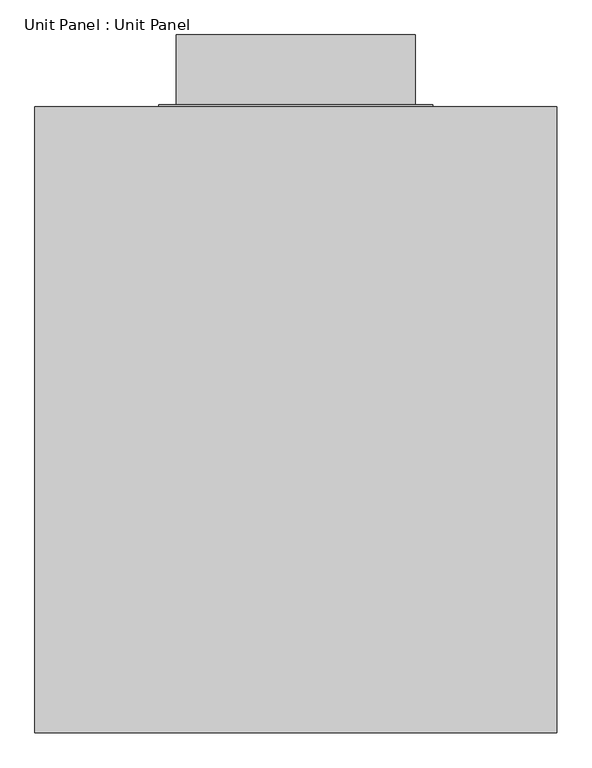
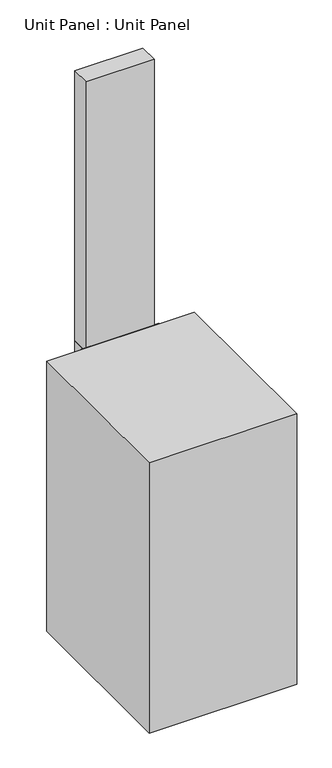
"""IFC4 building model written with IfcOpenShell, lengths in millimetres: proxy geometry, Unit Panel : Unit Panel."""

from ifc_helpers import new_model, si_unit, frame, origin, origin_with_axes, place, context, project, spatial, polyline, outline, extrude, source, transform, mapped, element, save


def unit_panel_unit_panel_776190fa(model_context):
    return source(origin(), model_context, "Body", "SweptSolid", [
        extrude(outline(polyline([(174.625, 101.6), (174.625, 0.0), (-174.625, 0.0), (-174.625, 101.6), (174.625, 101.6)])), frame((0.0, 0.0, 1447.8), z_axis=(0.0, 0.0, 1.0), x_axis=(1.0, 0.0, 0.0)), (0.0, 0.0, 1.0), 1473.2),
        extrude(outline(polyline([(381.0, -3.175), (381.0, -917.575), (-381.0, -917.575), (-381.0, -3.175), (381.0, -3.175)])), origin_with_axes(), (0.0, 0.0, 1.0), 1473.2),
        extrude(outline(polyline([(200.025, -3.175), (-200.025, -3.175), (-200.025, 0.0), (200.025, 0.0), (200.025, -3.175)])), frame((0.0, 0.0, 736.6), z_axis=(0.0, 0.0, 1.0), x_axis=(1.0, 0.0, 0.0)), (0.0, 0.0, 1.0), 736.6),
        extrude(outline(polyline([(174.625, 0.0), (-174.625, 0.0), (-174.625, 101.6), (174.625, 101.6), (174.625, 0.0)])), frame((0.0, 0.0, 762.0), z_axis=(0.0, 0.0, 1.0), x_axis=(1.0, 0.0, 0.0)), (0.0, 0.0, 1.0), 685.8),
    ])


if __name__ == "__main__":
    model = new_model("IFC4")
    model_context = context("Model", 3, world=origin())
    ifc_project = project(units=[si_unit("LENGTHUNIT", "METRE", prefix="MILLI")], contexts=[model_context])
    site = spatial("IfcSite", under=ifc_project)
    building = spatial("IfcBuilding", under=site)
    placement = place(None, origin())
    unit_panel_unit_panel_shape = unit_panel_unit_panel_776190fa(model_context)
    element("IfcBuildingElementProxy", 1, Name="Unit Panel : Unit Panel", ObjectType="Unit Panel : Unit Panel", at=placement, inside=building, context=model_context, shape_type="MappedRepresentation", body=[
        mapped(unit_panel_unit_panel_shape, transform((0.0, 0.0, 0.0), x_axis=(1.0, 0.0, 0.0), y_axis=(0.0, 1.0, 0.0), z_axis=(0.0, 0.0, 1.0))),
    ])
    save(model, "model.ifc")
